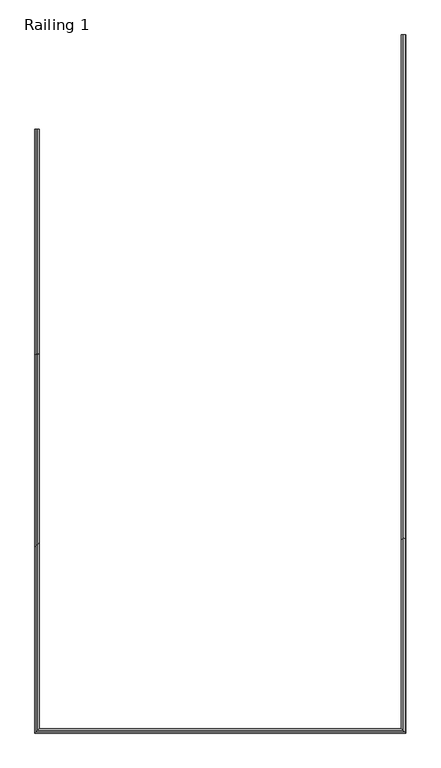
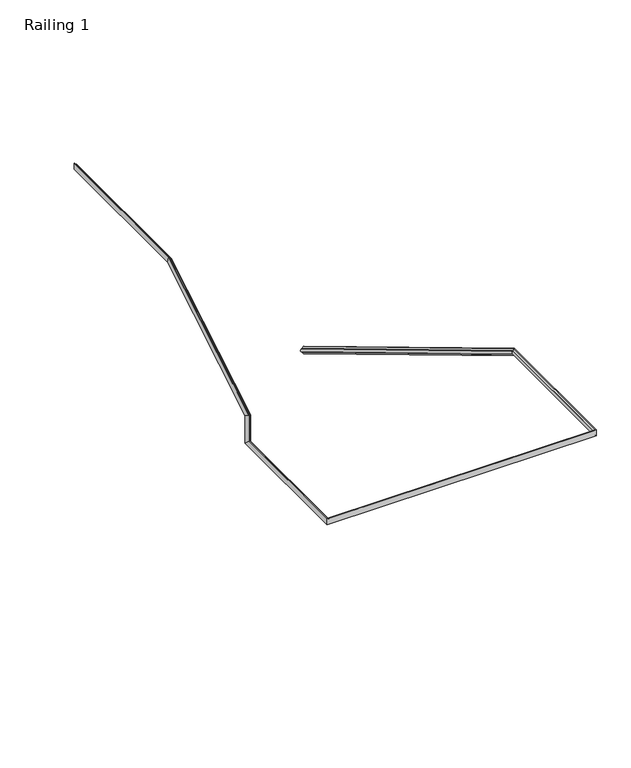
"""IFC4 building model written with IfcOpenShell, lengths in millimetres: railing geometry, Railing 1."""

from ifc_helpers import new_model, si_unit, frame, origin, place, context, project, spatial, polyline, circle_curve, ellipse_curve, source, transform, mapped, element, save
from ifc_brep_helpers import plane_surface, cylinder_surface, revolved_surface, advanced_brep


def railing_1_395a2cfa(model_context):
    return source(origin(), model_context, "Body", "AdvancedBrep", [
        advanced_brep(
        [(1352.1483551, 5429.7049621, 3909.5630911), (1352.1483551, 5429.7049621, 3860.0), (1349.1483551, 5429.7049621, 3860.0), (1340.6483551, 5429.7049621, 3871.6619038), (1340.6483551, 5429.7049621, 3874.8689273), (1340.6483551, 5429.7049621, 3894.6941638), (1340.6483551, 5429.7049621, 3897.9011873), (1349.1483551, 5429.7049621, 3909.5630911), (1352.1483551, 3041.4767806, 5342.5), (1352.1483551, 3029.7049621, 5300.0), (1352.1483551, 2115.0003969, 5342.5), (1352.1483551, 2115.0003969, 5300.0), (-408.3453565, 2115.0003969, 5342.5), (-408.3453565, 2115.0003969, 5300.0), (-408.3453565, 3001.3185624, 5342.5), (-408.3453565, 3043.8185624, 5300.0), (-408.3453565, 3001.3185624, 5516.8130911), (-408.3453565, 3043.8185624, 5492.75), (-408.3453565, 3910.7967439, 6062.5), (-408.3453565, 3922.5685624, 6020.0), (-408.3453565, 4982.5685624, 6062.5), (-405.3453565, 4982.5685624, 6062.5), (-396.8453565, 4982.5685624, 6052.5), (-396.8453565, 4982.5685624, 6049.75), (-396.8453565, 4982.5685624, 6032.75), (-396.8453565, 4982.5685624, 6030.0), (-405.3453565, 4982.5685624, 6020.0), (-408.3453565, 4982.5685624, 6020.0), (1349.1483551, 3029.7049621, 5300.0), (1340.6483551, 3032.4748018, 5310.0), (1340.6483551, 3033.2365077, 5312.75), (1340.6483551, 3037.9452351, 5329.75), (1340.6483551, 3038.706941, 5332.5), (1349.1483551, 3041.4767806, 5342.5), (1349.1483551, 2118.0003969, 5300.0), (1340.6483551, 2126.5003969, 5310.0), (1340.6483551, 2126.5003969, 5312.75), (1340.6483551, 2126.5003969, 5329.75), (1340.6483551, 2126.5003969, 5332.5), (1349.1483551, 2118.0003969, 5342.5), (-405.3453565, 2118.0003969, 5300.0), (-396.8453565, 2126.5003969, 5310.0), (-396.8453565, 2126.5003969, 5312.75), (-396.8453565, 2126.5003969, 5329.75), (-396.8453565, 2126.5003969, 5332.5), (-405.3453565, 2118.0003969, 5342.5), (-405.3453565, 3043.8185624, 5300.0), (-396.8453565, 3033.8185624, 5310.0), (-396.8453565, 3031.0685624, 5312.75), (-396.8453565, 3014.0685624, 5329.75), (-396.8453565, 3011.3185624, 5332.5), (-405.3453565, 3001.3185624, 5342.5), (-405.3453565, 3043.8185624, 5492.75), (-396.8453565, 3033.8185624, 5498.4119038), (-396.8453565, 3031.0685624, 5499.9689273), (-396.8453565, 3014.0685624, 5509.5941638), (-396.8453565, 3011.3185624, 5511.1511873), (-405.3453565, 3001.3185624, 5516.8130911), (-405.3453565, 3922.5685624, 6020.0), (-396.8453565, 3919.7987227, 6030.0), (-396.8453565, 3919.0370168, 6032.75), (-396.8453565, 3914.3282894, 6049.75), (-396.8453565, 3913.5665835, 6052.5), (-405.3453565, 3910.7967439, 6062.5)],
        [
            (0, 1),
            (1, 2),
            (2, 3, ellipse_curve(frame((1335.1495647, 5429.7049621, 3856.1673481), z_axis=(0.0, -1.0, 0.0), x_axis=(0.0, 0.0, 1.0)), 16.7691134, 14.3793961)),
            (3, 4),
            (4, 5, ellipse_curve(frame((1340.6483551, 5429.7049621, 3884.7815456), z_axis=(0.0, 1.0, 0.0), x_axis=(0.0, 0.0, -1.0)), 9.9126182, 8.5)),
            (5, 6),
            (6, 7, ellipse_curve(frame((1335.1495647, 5429.7049621, 3913.395743), z_axis=(0.0, -1.0, 0.0), x_axis=(0.0, 0.0, 1.0)), 16.7691134, 14.3793961)),
            (7, 0),
            (0, 8),
            (8, 9),
            (9, 1),
            (8, 10),
            (10, 11),
            (11, 9),
            (10, 12),
            (12, 13),
            (13, 11),
            (12, 14),
            (14, 15),
            (15, 13),
            (14, 16),
            (16, 17),
            (17, 15),
            (16, 18),
            (18, 19),
            (19, 17),
            (20, 21),
            (21, 22, circle_curve(frame((-391.346566, 4982.5685624, 6065.7864719), z_axis=(0.0, -1.0, 0.0), x_axis=(-1.0, 0.0, 0.0)), 14.3793961)),
            (22, 23),
            (23, 24, circle_curve(frame((-396.8453565, 4982.5685624, 6041.25), z_axis=(0.0, 1.0, 0.0), x_axis=(-1.0, 0.0, 0.0)), 8.5)),
            (24, 25),
            (25, 26, circle_curve(frame((-391.346566, 4982.5685624, 6016.7135281), z_axis=(0.0, -1.0, 0.0), x_axis=(-1.0, 0.0, 0.0)), 14.3793961)),
            (26, 27),
            (27, 20),
            (18, 20),
            (27, 19),
            (9, 28),
            (28, 2),
            (28, 29, ellipse_curve(frame((1335.1495647, 3028.7946621, 5296.7135281), z_axis=(0.0, -0.9637149282107609, 0.2669335818958117), x_axis=(0.0, 0.26693358189581184, 0.9637149282107608)), 14.9207984, 14.3793961)),
            (29, 3),
            (29, 30),
            (30, 4),
            (30, 31, ellipse_curve(frame((1340.6483551, 3035.5908714, 5321.25), z_axis=(0.0, 0.9637149282107609, -0.2669335818958117), x_axis=(0.0, -0.26693358189581184, -0.9637149282107608)), 8.8200356, 8.5)),
            (31, 5),
            (31, 32),
            (32, 6),
            (32, 33, ellipse_curve(frame((1335.1495647, 3042.3870807, 5345.7864719), z_axis=(0.0, -0.9637149282107609, 0.2669335818958117), x_axis=(0.0, 0.26693358189581184, 0.9637149282107608)), 14.9207984, 14.3793961)),
            (33, 7),
            (33, 8),
            (11, 34),
            (34, 28),
            (34, 35, ellipse_curve(frame((1335.1495647, 2131.9991873, 5296.7135281), z_axis=(-0.7071067811865488, -0.7071067811865461, 0.0), x_axis=(0.707106781186546, -0.707106781186549, 0.0)), 20.335537, 14.3793961)),
            (35, 29),
            (35, 36),
            (36, 30),
            (36, 37, ellipse_curve(frame((1340.6483551, 2126.5003969, 5321.25), z_axis=(0.7071067811865488, 0.7071067811865461, 0.0), x_axis=(-0.707106781186546, 0.707106781186549, 0.0)), 12.0208153, 8.5)),
            (37, 31),
            (37, 38),
            (38, 32),
            (38, 39, ellipse_curve(frame((1335.1495647, 2131.9991873, 5345.7864719), z_axis=(-0.7071067811865488, -0.7071067811865461, 0.0), x_axis=(0.707106781186546, -0.707106781186549, 0.0)), 20.335537, 14.3793961)),
            (39, 33),
            (39, 10),
            (13, 40),
            (40, 34),
            (40, 41, ellipse_curve(frame((-391.346566, 2131.9991873, 5296.7135281), z_axis=(-0.7071067811865464, 0.7071067811865488, 0.0), x_axis=(-0.7071067811865486, -0.7071067811865465, 0.0)), 20.335537, 14.3793961)),
            (41, 35),
            (41, 42),
            (42, 36),
            (42, 43, ellipse_curve(frame((-396.8453565, 2126.5003969, 5321.25), z_axis=(0.7071067811865464, -0.7071067811865488, 0.0), x_axis=(0.7071067811865486, 0.7071067811865465, 0.0)), 12.0208153, 8.5)),
            (43, 37),
            (43, 44),
            (44, 38),
            (44, 45, ellipse_curve(frame((-391.346566, 2131.9991873, 5345.7864719), z_axis=(-0.7071067811865464, 0.7071067811865488, 0.0), x_axis=(-0.7071067811865486, -0.7071067811865465, 0.0)), 20.335537, 14.3793961)),
            (45, 39),
            (45, 12),
            (15, 46),
            (46, 40),
            (46, 47, ellipse_curve(frame((-391.346566, 3047.1050343, 5296.7135281), z_axis=(0.0, 0.7071067811865476, 0.7071067811865475), x_axis=(0.0, 0.7071067811865474, -0.7071067811865476)), 20.335537, 14.3793961)),
            (47, 41),
            (47, 48),
            (48, 42),
            (48, 49, ellipse_curve(frame((-396.8453565, 3022.5685624, 5321.25), z_axis=(0.0, -0.7071067811865476, -0.7071067811865475), x_axis=(0.0, -0.7071067811865474, 0.7071067811865476)), 12.0208153, 8.5)),
            (49, 43),
            (49, 50),
            (50, 44),
            (50, 51, ellipse_curve(frame((-391.346566, 2998.0320905, 5345.7864719), z_axis=(0.0, 0.7071067811865476, 0.7071067811865475), x_axis=(0.0, 0.7071067811865474, -0.7071067811865476)), 20.335537, 14.3793961)),
            (51, 45),
            (51, 14),
            (17, 52),
            (52, 46),
            (52, 53, ellipse_curve(frame((-391.346566, 3047.1050343, 5490.8892312), z_axis=(0.0, 0.49269881498359364, 0.8701999067534786), x_axis=(0.0, -0.8701999067534787, 0.4926988149835933)), 16.5242446, 14.3793961)),
            (53, 47),
            (53, 54),
            (54, 48),
            (54, 55, ellipse_curve(frame((-396.8453565, 3022.5685624, 5504.7815456), z_axis=(0.0, -0.49269881498359364, -0.8701999067534786), x_axis=(0.0, 0.8701999067534787, -0.4926988149835933)), 9.7678705, 8.5)),
            (55, 49),
            (55, 56),
            (56, 50),
            (56, 57, ellipse_curve(frame((-391.346566, 2998.0320905, 5518.6738599), z_axis=(0.0, 0.49269881498359364, 0.8701999067534786), x_axis=(0.0, -0.8701999067534787, 0.4926988149835933)), 16.5242446, 14.3793961)),
            (57, 51),
            (57, 16),
            (19, 58),
            (58, 52),
            (58, 59, ellipse_curve(frame((-391.346566, 3923.4788624, 6016.7135281), z_axis=(0.0, 0.9637149282107611, 0.26693358189581073), x_axis=(0.0, -0.26693358189581007, 0.9637149282107611)), 14.9207984, 14.3793961)),
            (59, 53),
            (59, 60),
            (60, 54),
            (60, 61, ellipse_curve(frame((-396.8453565, 3916.6826531, 6041.25), z_axis=(0.0, -0.9637149282107611, -0.26693358189581073), x_axis=(0.0, 0.26693358189581007, -0.9637149282107611)), 8.8200356, 8.5)),
            (61, 55),
            (61, 62),
            (62, 56),
            (62, 63, ellipse_curve(frame((-391.346566, 3909.8864439, 6065.7864719), z_axis=(0.0, 0.9637149282107611, 0.26693358189581073), x_axis=(0.0, -0.26693358189581007, 0.9637149282107611)), 14.9207984, 14.3793961)),
            (63, 57),
            (63, 18),
            (26, 58),
            (25, 59),
            (24, 60),
            (23, 61),
            (22, 62),
            (21, 63),
        ],
        [
            plane_surface(frame((1327.1483551, 5429.7049621, 3860.0), z_axis=(0.0, 1.0, 0.0), x_axis=(0.0, 0.0, -1.0))),
            plane_surface(frame((1352.1483551, 5429.7049621, 3909.5630911), z_axis=(1.0, 0.0, 0.0), x_axis=(0.0, -0.857492925712544, 0.5144957554275269))),
            plane_surface(frame((1352.1483551, 3041.4767806, 5342.5), z_axis=(1.0, 0.0, 0.0), x_axis=(0.0, -1.0, 0.0))),
            plane_surface(frame((1352.1483551, 2115.0003969, 5342.5), z_axis=(0.0, -1.0, 0.0), x_axis=(-1.0, 0.0, 0.0))),
            plane_surface(frame((-408.3453565, 2115.0003969, 5342.5), z_axis=(-1.0, 0.0, 0.0), x_axis=(0.0, 1.0, 0.0))),
            plane_surface(frame((-408.3453565, 3001.3185624, 5342.5), z_axis=(-1.0, 0.0, 0.0), x_axis=(0.0, 0.0, 1.0))),
            plane_surface(frame((-408.3453565, 3001.3185624, 5516.8130911), z_axis=(-1.0, 0.0, 0.0), x_axis=(0.0, 0.8574929257125448, 0.5144957554275257))),
            plane_surface(frame((-383.3453565, 4982.5685624, 6020.0), z_axis=(0.0, 1.0, 0.0), x_axis=(0.0, 0.0, 1.0))),
            plane_surface(frame((-408.3453565, 3910.7967439, 6062.5), z_axis=(-1.0, 0.0, 0.0), x_axis=(0.0, 1.0, 0.0))),
            plane_surface(frame((1352.1483551, 5429.7049621, 3860.0), z_axis=(0.0, -0.5144957554275269, -0.857492925712544), x_axis=(0.0, -0.857492925712544, 0.5144957554275269))),
            revolved_surface(polyline([(1349.5289607999998, 3025.3793859811144, 5298.762693791333), (1349.5289607999998, 5437.103100373529, 3851.7284651558825)]), (1335.1495647, 5428.0140863, 3857.1818736), (0.0, -0.8574929257125441, 0.5144957554275269)),
            plane_surface(frame((1340.6483551, 5429.7049621, 3871.6619038), z_axis=(-1.0000000000000002, 0.0, 0.0), x_axis=(0.0, -0.8574929257125441, 0.5144957554275269))),
            cylinder_surface(frame((1340.6483551, 5440.6379969, 3878.2217247), z_axis=(0.0, 0.8574929257125441, -0.5144957554275269), x_axis=(1.0, 0.0, 0.0)), 8.5),
            plane_surface(frame((1340.6483551, 5429.7049621, 3894.6941638), z_axis=(-1.0, 0.0, 0.0), x_axis=(0.0, -0.857492925712544, 0.5144957554275269))),
            revolved_surface(polyline([(1349.5289607999998, 3038.971804589938, 5347.835637606038), (1349.5289607999998, 5437.103100408824, 3908.956860114706)]), (1335.1495647, 5453.2619076, 3899.2615758), (0.0, -0.8574929257125441, 0.5144957554275269)),
            plane_surface(frame((1349.1483551, 5429.7049621, 3909.5630911), z_axis=(0.0, 0.5144957554275269, 0.857492925712544), x_axis=(0.0, -0.857492925712544, 0.5144957554275269))),
            plane_surface(frame((1352.1483551, 3029.7049621, 5300.0), z_axis=(0.0, 0.0, -1.0), x_axis=(0.0, -1.0, 0.0))),
            revolved_surface(polyline([(1349.5289607999998, 2117.61979118823, 5296.7135281), (1349.5289607999998, 3032.7775242616576, 5296.7135281)]), (1335.1495647, 3029.7049621, 5296.7135281), (0.0, -1.0, 0.0)),
            plane_surface(frame((1340.6483551, 3032.4748018, 5310.0), z_axis=(-1.0, 0.0, 0.0), x_axis=(0.0, -1.0, 0.0))),
            cylinder_surface(frame((1340.6483551, 3029.7049621, 5321.25), z_axis=(0.0, 1.0, 0.0), x_axis=(1.0, 0.0, 0.0)), 8.5),
            plane_surface(frame((1340.6483551, 3037.9452351, 5329.75), z_axis=(-1.0, 0.0, 0.0), x_axis=(0.0, -1.0, 0.0))),
            revolved_surface(polyline([(1349.5289607999998, 2117.61979118823, 5345.7864719), (1349.5289607999998, 3046.3699428616574, 5345.7864719)]), (1335.1495647, 3029.7049621, 5345.7864719), (0.0, -1.0, 0.0)),
            plane_surface(frame((1349.1483551, 3041.4767806, 5342.5), z_axis=(0.0, 0.0, 1.0), x_axis=(0.0, -1.0, 0.0))),
            plane_surface(frame((1352.1483551, 2115.0003969, 5300.0), z_axis=(0.0, 0.0, -1.0), x_axis=(-1.0, 0.0, 0.0))),
            revolved_surface(polyline([(-405.72596211176983, 2117.6197912, 5296.7135281), (1349.5289608117698, 2117.6197912, 5296.7135281)]), (1327.1483551, 2131.9991873, 5296.7135281), (-1.0, 0.0, 0.0)),
            plane_surface(frame((1340.6483551, 2126.5003969, 5310.0), z_axis=(0.0, 1.0, 0.0), x_axis=(-1.0, 0.0, 0.0))),
            cylinder_surface(frame((1327.1483551, 2126.5003969, 5321.25), z_axis=(1.0, 0.0, 0.0), x_axis=(0.0, -1.0, 0.0)), 8.5),
            plane_surface(frame((1340.6483551, 2126.5003969, 5329.75), z_axis=(0.0, 1.0, 0.0), x_axis=(-1.0, 0.0, 0.0))),
            revolved_surface(polyline([(-405.72596211176983, 2117.6197912, 5345.7864719), (1349.5289608117698, 2117.6197912, 5345.7864719)]), (1327.1483551, 2131.9991873, 5345.7864719), (-1.0, 0.0, 0.0)),
            plane_surface(frame((1349.1483551, 2118.0003969, 5342.5), z_axis=(0.0, 0.0, 1.0), x_axis=(-1.0, 0.0, 0.0))),
            plane_surface(frame((-408.3453565, 2115.0003969, 5300.0), z_axis=(0.0, 0.0, -1.0), x_axis=(0.0, 1.0, 0.0))),
            revolved_surface(polyline([(-405.7259621, 3061.48443041177, 5296.7135281), (-405.7259621, 2117.61979118823, 5296.7135281)]), (-391.346566, 2140.0003969, 5296.7135281), (0.0, 1.0, 0.0)),
            plane_surface(frame((-396.8453565, 2126.5003969, 5310.0), z_axis=(1.0, 0.0, 0.0), x_axis=(0.0, 1.0, 0.0))),
            cylinder_surface(frame((-396.8453565, 2140.0003969, 5321.25), z_axis=(0.0, -1.0, 0.0), x_axis=(-1.0, 0.0, 0.0)), 8.5),
            plane_surface(frame((-396.8453565, 2126.5003969, 5329.75), z_axis=(1.0, 0.0, 0.0), x_axis=(0.0, 1.0, 0.0))),
            revolved_surface(polyline([(-405.7259621, 3012.4114866117698, 5345.7864719), (-405.7259621, 2117.61979118823, 5345.7864719)]), (-391.346566, 2140.0003969, 5345.7864719), (0.0, 1.0, 0.0)),
            plane_surface(frame((-405.3453565, 2118.0003969, 5342.5), z_axis=(0.0, 0.0, 1.0), x_axis=(0.0, 1.0, 0.0))),
            plane_surface(frame((-408.3453565, 3043.8185624, 5300.0), z_axis=(0.0, 1.0, 0.0), x_axis=(0.0, 0.0, 1.0))),
            revolved_surface(polyline([(-405.7259621, 3047.1050343, 5499.030706932919), (-405.7259621, 3047.1050343, 5282.33413198823)]), (-391.346566, 3047.1050343, 5300.0), (0.0, 0.0, 1.0)),
            plane_surface(frame((-396.8453565, 3033.8185624, 5310.0), z_axis=(1.0, 0.0, 0.0), x_axis=(0.0, 0.0, 1.0))),
            cylinder_surface(frame((-396.8453565, 3022.5685624, 5300.0), z_axis=(0.0, 0.0, -1.0), x_axis=(-1.0, 0.0, 0.0)), 8.5),
            plane_surface(frame((-396.8453565, 3014.0685624, 5329.75), z_axis=(1.0, 0.0, 0.0), x_axis=(0.0, 0.0, 1.0))),
            revolved_surface(polyline([(-405.7259621, 2998.0320905, 5526.815335632919), (-405.7259621, 2998.0320905, 5331.40707578823)]), (-391.346566, 2998.0320905, 5300.0), (0.0, 0.0, 1.0)),
            plane_surface(frame((-405.3453565, 3001.3185624, 5342.5), z_axis=(0.0, -1.0, 0.0), x_axis=(0.0, 0.0, 1.0))),
            plane_surface(frame((-408.3453565, 3043.8185624, 5492.75), z_axis=(0.0, 0.5144957554275255, -0.8574929257125449), x_axis=(0.0, 0.8574929257125449, 0.5144957554275255))),
            revolved_surface(polyline([(-405.7259621, 3926.8941385188864, 6018.76269379133), (-405.7259621, 3040.123776427691, 5486.700476536615)]), (-391.346566, 3045.5094382, 5489.9318736), (0.0, 0.8574929257125449, 0.5144957554275253)),
            plane_surface(frame((-396.8453565, 3033.8185624, 5498.4119038), z_axis=(1.0, 0.0, 0.0), x_axis=(0.0, 0.8574929257125449, 0.5144957554275256))),
            cylinder_surface(frame((-396.8453565, 3032.8855276, 5510.9717247), z_axis=(0.0, -0.8574929257125449, -0.5144957554275253), x_axis=(-1.0, 0.0, 0.0)), 8.5),
            plane_surface(frame((-396.8453565, 3014.0685624, 5509.5941638), z_axis=(1.0, 0.0, 0.0), x_axis=(0.0, 0.8574929257125444, 0.5144957554275261))),
            revolved_surface(polyline([(-405.7259621, 3913.301719983592, 6067.835637650154), (-405.7259621, 2991.050832627691, 5514.485105236615)]), (-391.346566, 3020.2616169, 5532.0115758), (0.0, 0.8574929257125449, 0.5144957554275253)),
            plane_surface(frame((-405.3453565, 3001.3185624, 5516.8130911), z_axis=(0.0, -0.5144957554275259, 0.8574929257125445), x_axis=(0.0, 0.8574929257125445, 0.5144957554275259))),
            plane_surface(frame((-408.3453565, 3922.5685624, 6020.0), z_axis=(0.0, 0.0, -1.0), x_axis=(0.0, 1.0, 0.0))),
            revolved_surface(polyline([(-405.7259621, 4982.5685624, 6016.7135281), (-405.7259621, 3919.4960002383427, 6016.7135281)]), (-391.346566, 3922.5685624, 6016.7135281), (0.0, 1.0, 0.0)),
            plane_surface(frame((-396.8453565, 3919.7987227, 6030.0), z_axis=(1.0, 0.0, 0.0), x_axis=(0.0, 1.0, 0.0))),
            cylinder_surface(frame((-396.8453565, 3922.5685624, 6041.25), z_axis=(0.0, -1.0, 0.0), x_axis=(-1.0, 0.0, 0.0)), 8.5),
            plane_surface(frame((-396.8453565, 3914.3282894, 6049.75), z_axis=(1.0, 0.0, 0.0), x_axis=(0.0, 1.0, 0.0))),
            revolved_surface(polyline([(-405.7259621, 4982.5685624, 6065.7864719), (-405.7259621, 3905.903581738343, 6065.7864719)]), (-391.346566, 3922.5685624, 6065.7864719), (0.0, 1.0, 0.0)),
            plane_surface(frame((-405.3453565, 3910.7967439, 6062.5), z_axis=(0.0, 0.0, 1.0), x_axis=(0.0, 1.0, 0.0))),
        ],
        [
            (0, [[1, 2, 3, 4, 5, 6, 7, 8]]),
            (1, [[-1, 9, 10, 11]]),
            (2, [[-10, 12, 13, 14]]),
            (3, [[-13, 15, 16, 17]]),
            (4, [[-16, 18, 19, 20]]),
            (5, [[-19, 21, 22, 23]]),
            (6, [[-22, 24, 25, 26]]),
            (7, [[27, 28, 29, 30, 31, 32, 33, 34]]),
            (8, [[-25, 35, -34, 36]]),
            (9, [[-2, -11, 37, 38]]),
            (10, [[-3, -38, 39, 40]]),
            (11, [[-4, -40, 41, 42]]),
            (12, [[-5, -42, 43, 44]]),
            (13, [[-6, -44, 45, 46]]),
            (14, [[-7, -46, 47, 48]]),
            (15, [[-8, -48, 49, -9]]),
            (16, [[-37, -14, 50, 51]]),
            (17, [[-39, -51, 52, 53]]),
            (18, [[-41, -53, 54, 55]]),
            (19, [[-43, -55, 56, 57]]),
            (20, [[-45, -57, 58, 59]]),
            (21, [[-47, -59, 60, 61]]),
            (22, [[-49, -61, 62, -12]]),
            (23, [[-50, -17, 63, 64]]),
            (24, [[-52, -64, 65, 66]]),
            (25, [[-54, -66, 67, 68]]),
            (26, [[-56, -68, 69, 70]]),
            (27, [[-58, -70, 71, 72]]),
            (28, [[-60, -72, 73, 74]]),
            (29, [[-62, -74, 75, -15]]),
            (30, [[-63, -20, 76, 77]]),
            (31, [[-65, -77, 78, 79]]),
            (32, [[-67, -79, 80, 81]]),
            (33, [[-69, -81, 82, 83]]),
            (34, [[-71, -83, 84, 85]]),
            (35, [[-73, -85, 86, 87]]),
            (36, [[-75, -87, 88, -18]]),
            (37, [[-76, -23, 89, 90]]),
            (38, [[-78, -90, 91, 92]]),
            (39, [[-80, -92, 93, 94]]),
            (40, [[-82, -94, 95, 96]]),
            (41, [[-84, -96, 97, 98]]),
            (42, [[-86, -98, 99, 100]]),
            (43, [[-88, -100, 101, -21]]),
            (44, [[-89, -26, 102, 103]]),
            (45, [[-91, -103, 104, 105]]),
            (46, [[-93, -105, 106, 107]]),
            (47, [[-95, -107, 108, 109]]),
            (48, [[-97, -109, 110, 111]]),
            (49, [[-99, -111, 112, 113]]),
            (50, [[-101, -113, 114, -24]]),
            (51, [[-102, -36, -33, 115]]),
            (52, [[-104, -115, -32, 116]]),
            (53, [[-106, -116, -31, 117]]),
            (54, [[-108, -117, -30, 118]]),
            (55, [[-110, -118, -29, 119]]),
            (56, [[-112, -119, -28, 120]]),
            (57, [[-114, -120, -27, -35]]),
        ],
    ),
    ])


if __name__ == "__main__":
    model = new_model("IFC4")
    model_context = context("Model", 3, world=origin())
    ifc_project = project(units=[si_unit("LENGTHUNIT", "METRE", prefix="MILLI")], contexts=[model_context])
    site = spatial("IfcSite", under=ifc_project)
    building = spatial("IfcBuilding", under=site)
    placement = place(None, origin())
    railing_1_shape = railing_1_395a2cfa(model_context)
    element("IfcRailing", 1, ObjectType="Railing 1", at=placement, inside=building, context=model_context, shape_type="MappedRepresentation", body=[
        mapped(railing_1_shape, transform((0.0, 0.0, 0.0), x_axis=(1.0, 0.0, 0.0), y_axis=(0.0, 1.0, 0.0), z_axis=(0.0, 0.0, 1.0))),
    ])
    save(model, "model.ifc")
